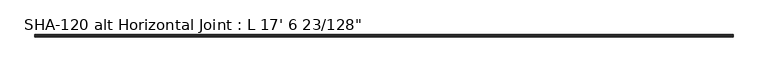
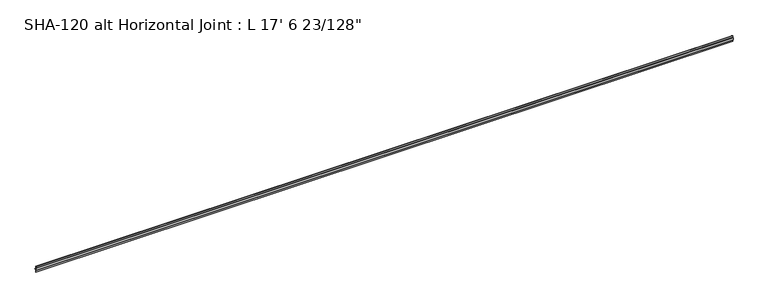
"""IFC4 building model written with IfcOpenShell, lengths in millimetres: proxy geometry."""

from ifc_helpers import new_model, si_unit, point, frame, frame_2d, origin, place, context, project, spatial, polyline, circle_curve, trimmed, segment, composite_curve, outline, extrude, source, transform, mapped, element, save


def proxy_bff755bb(model_context):
    return source(origin(), model_context, "Body", "SweptSolid", [
        extrude(outline(composite_curve([segment(polyline([(-20.0914, -16.0898656), (-20.0914, -1.1800656), (-14.6491336, -1.1800656), (-12.8287912, 9.4507342)]), True, "CONTINUOUS"), segment(trimmed(circle_curve(frame_2d((-11.7590956, 8.2385071)), 1.6167075), [point((-12.8287912, 9.4507342))], [point((-10.5664, 9.3299375))], False, "CARTESIAN"), True, "CONTINUOUS"), segment(polyline([(-10.5664, 9.3299375), (-10.5664, -2.7548656), (-17.2466, -2.7548656)]), True, "CONTINUOUS"), segment(trimmed(circle_curve(frame_2d((-17.2466, -4.0248656)), 1.27), [point((-17.2466, -2.7548656))], [point((-18.5166, -4.0248656))], True, "CARTESIAN"), True, "CONTINUOUS"), segment(polyline([(-18.5166, -4.0248656), (-18.5166, -14.5150656), (-7.5517375, -14.5150656)]), True, "CONTINUOUS"), segment(trimmed(circle_curve(frame_2d((-5.9769375, -14.5150656)), 1.5748), [point((-7.5517375, -14.5150656))], [point((-4.4021375, -14.5150656))], False, "CARTESIAN"), True, "CONTINUOUS"), segment(polyline([(-4.4021375, -14.5150656), (-1.0414, -14.5150656), (-1.0414, -16.089866), (-4.4021375, -16.089866)]), True, "CONTINUOUS"), segment(trimmed(circle_curve(frame_2d((-5.9769375, -16.089866)), 1.5748), [point((-4.4021375, -16.089866))], [point((-7.5517375, -16.089866))], False, "CARTESIAN"), True, "CONTINUOUS"), segment(polyline([(-7.5517375, -16.089866), (-10.541, -16.089866), (-10.541, -35.2950182)]), True, "CONTINUOUS"), segment(trimmed(circle_curve(frame_2d((-11.7336765, -34.2042605)), 1.6162393), [point((-10.541, -35.2950182))], [point((-12.7454178, -35.4646609))], False, "CARTESIAN"), True, "CONTINUOUS"), segment(polyline([(-12.7454178, -35.4646609), (-14.673343, -24.2055776), (-14.673343, -16.0898656), (-20.0914, -16.0898656)]), True, "CONTINUOUS")], self_intersect=False)), frame((0.0, 0.0, 0.0), z_axis=(1.0, 0.0, 0.0), x_axis=(0.0, 1.0, 0.0)), (0.0, 0.0, 1.0), 5338.5640625),
    ])


if __name__ == "__main__":
    model = new_model("IFC4")
    model_context = context("Model", 3, world=origin())
    ifc_project = project(units=[si_unit("LENGTHUNIT", "METRE", prefix="MILLI")], contexts=[model_context])
    site = spatial("IfcSite", under=ifc_project)
    building = spatial("IfcBuilding", under=site)
    placement = place(None, origin())
    proxy_shape = proxy_bff755bb(model_context)
    element("IfcBuildingElementProxy", 1, Name="SHA-120 alt Horizontal Joint : L 17' 6 23/128\"", ObjectType="SHA-120 alt Horizontal Joint : L 17' 6 23/128\"", at=placement, inside=building, context=model_context, shape_type="MappedRepresentation", body=[
        mapped(proxy_shape, transform((0.0, 0.0, 0.0), x_axis=(1.0, 0.0, 0.0), y_axis=(0.0, 1.0, 0.0), z_axis=(0.0, 0.0, 1.0))),
    ])
    save(model, "model.ifc")
